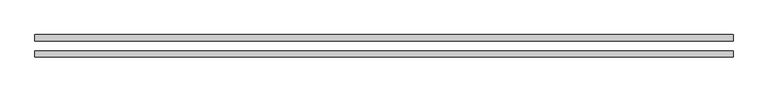
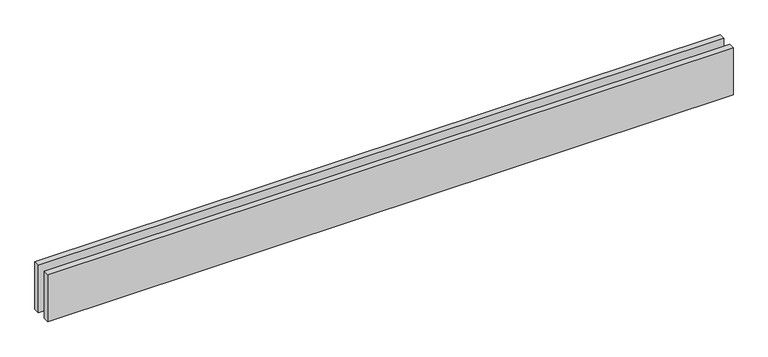
"""IFC4 building model written with IfcOpenShell, lengths in millimetres: proxy geometry."""

from ifc_helpers import new_model, si_unit, origin, origin_with_axes, place, context, project, spatial, polyline, outline, extrude, source, transform, mapped, element, save


def generic_models_e90dab1a(model_context):
    return source(origin(), model_context, "Body", "SweptSolid", [
        extrude(outline(polyline([(3424.2640687, 25.0), (0.0, 25.0), (0.0, 55.0), (3424.2640687, 55.0), (3424.2640687, 25.0)])), origin_with_axes(), (0.0, 0.0, 1.0), 250.0),
        extrude(outline(polyline([(3424.2640687, -55.0), (0.0, -55.0), (0.0, -25.0), (3424.2640687, -25.0), (3424.2640687, -55.0)])), origin_with_axes(), (0.0, 0.0, 1.0), 250.0),
    ])


if __name__ == "__main__":
    model = new_model("IFC4")
    model_context = context("Model", 3, world=origin())
    ifc_project = project(units=[si_unit("LENGTHUNIT", "METRE", prefix="MILLI")], contexts=[model_context])
    site = spatial("IfcSite", under=ifc_project)
    building = spatial("IfcBuilding", under=site)
    placement = place(None, origin())
    generic_models_shape = generic_models_e90dab1a(model_context)
    element("IfcBuildingElementProxy", 1, Name="Generic Models", at=placement, inside=building, context=model_context, shape_type="MappedRepresentation", body=[
        mapped(generic_models_shape, transform((0.0, 0.0, 0.0), x_axis=(1.0, 0.0, 0.0), y_axis=(0.0, 1.0, 0.0), z_axis=(0.0, 0.0, 1.0))),
    ])
    save(model, "model.ifc")
